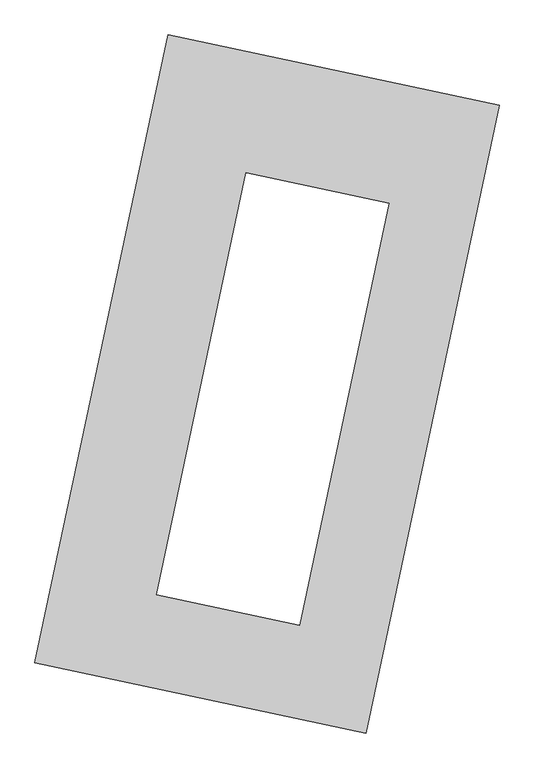
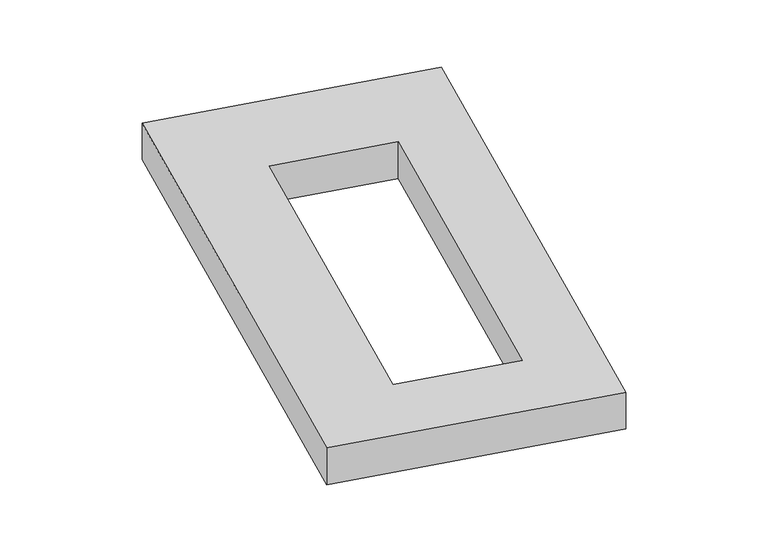
"""IFC4 building model written with IfcOpenShell, lengths in millimetres: proxy geometry."""

from ifc_helpers import new_model, si_unit, origin, origin_with_axes, place, context, project, spatial, polyline, outline, extrude, source, transform, mapped, element, save


def generic_models_c3165f1e(model_context):
    return source(origin(), model_context, "Body", "SweptSolid", [
        extrude(outline(polyline([(-617.3692021, 2175.5580432), (1447.7508745, 1737.3010494), (617.3692021, -2175.5580432), (-1447.7508745, -1737.3010494), (-617.3692021, 2175.5580432)]), holes=[polyline([(759.4511198, 1126.8565281), (-130.3966618, 1315.6988225), (-688.6295843, -1314.7623728), (201.2181973, -1503.6046673), (759.4511198, 1126.8565281)])]), origin_with_axes(), (0.0, 0.0, 1.0), 300.0),
    ])


if __name__ == "__main__":
    model = new_model("IFC4")
    model_context = context("Model", 3, world=origin())
    ifc_project = project(units=[si_unit("LENGTHUNIT", "METRE", prefix="MILLI")], contexts=[model_context])
    site = spatial("IfcSite", under=ifc_project)
    building = spatial("IfcBuilding", under=site)
    placement = place(None, origin())
    generic_models_shape = generic_models_c3165f1e(model_context)
    element("IfcBuildingElementProxy", 1, Name="Generic Models", at=placement, inside=building, context=model_context, shape_type="MappedRepresentation", body=[
        mapped(generic_models_shape, transform((0.0, 0.0, 0.0), x_axis=(1.0, 0.0, 0.0), y_axis=(0.0, 1.0, 0.0), z_axis=(0.0, 0.0, 1.0))),
    ])
    save(model, "model.ifc")
